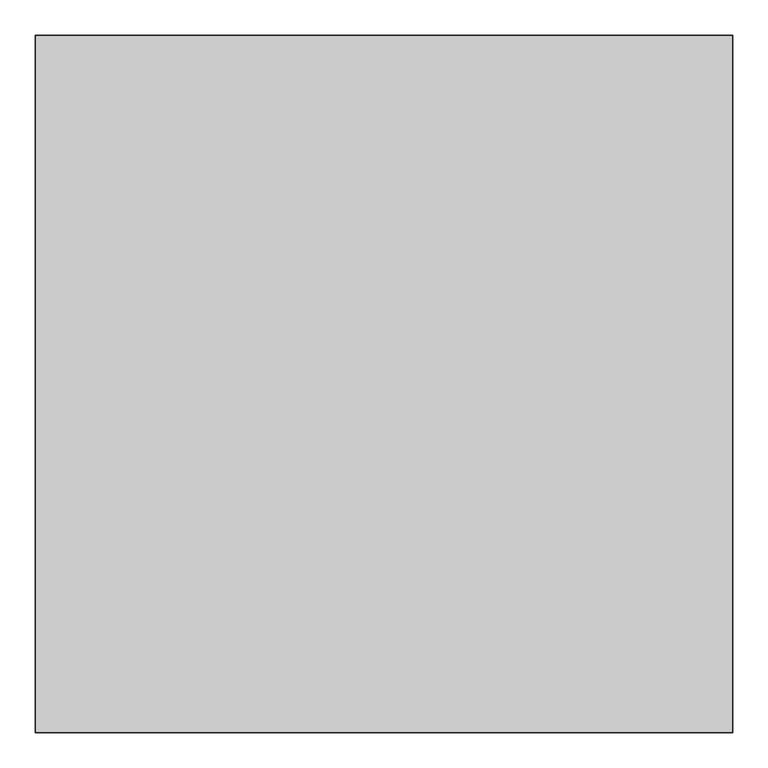
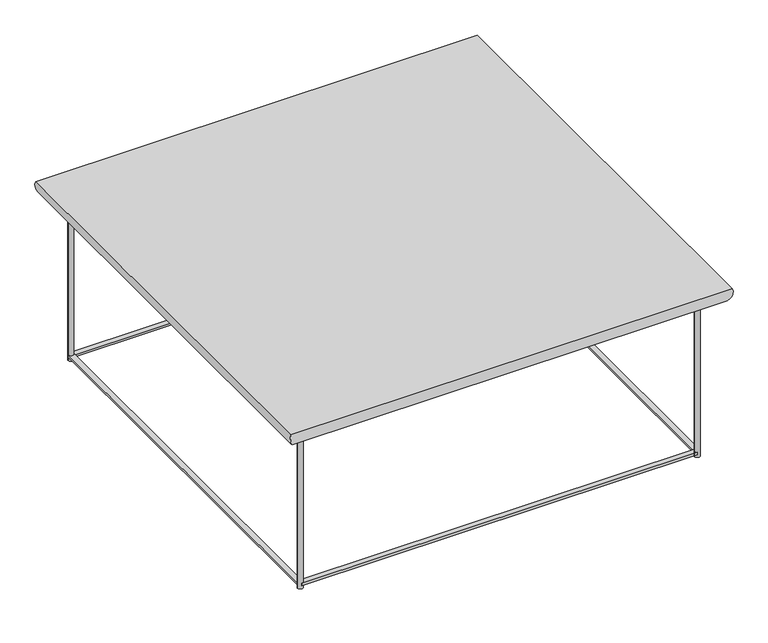
"""IFC4 building model written with IfcOpenShell, lengths in millimetres: furniture geometry."""

from ifc_helpers import new_model, si_unit, point, frame, frame_2d, origin, origin_with_axes, place, context, project, spatial, polyline, circle_curve, ellipse_curve, trimmed, segment, composite_curve, outline, extrude, source, transform, mapped, element, save
from ifc_brep_helpers import plane_surface, cylinder_surface, advanced_brep


def furniture_e0d00aa7(model_context):
    return source(origin(), model_context, "Body", "SolidModel", [
        advanced_brep(
        [(465.10956, 465.11718, 368.94008), (495.3, 495.30762, 408.94), (495.3, -495.30762, 408.94), (465.10956, -465.11718, 368.94008), (-495.3, -495.30762, 408.94), (-465.10956, -465.11718, 368.94008), (-495.3, 495.30762, 408.94), (-465.10956, 465.11718, 368.94008)],
        [
            (0, 1, ellipse_curve(frame((465.10956, 465.11718, 400.3333461), z_axis=(0.7071067811865475, -0.7071067811865475, 0.0), x_axis=(0.7071067811865474, 0.7071067811865476, 0.0)), 44.3967827, 31.3932661)),
            (1, 2),
            (2, 3, ellipse_curve(frame((465.10956, -465.11718, 400.3333461), z_axis=(0.7071067811865475, 0.7071067811865475, 0.0), x_axis=(-0.7071067811865474, 0.7071067811865476, 0.0)), 44.3967827, 31.3932661)),
            (3, 0),
            (2, 4),
            (4, 5, ellipse_curve(frame((-465.10956, -465.11718, 400.3333461), z_axis=(0.7071067811865475, -0.7071067811865475, 0.0), x_axis=(0.7071067811865476, 0.7071067811865474, 0.0)), 44.3967827, 31.3932661)),
            (5, 3),
            (4, 6),
            (6, 7, ellipse_curve(frame((-465.10956, 465.11718, 400.3333461), z_axis=(-0.7071067811865475, -0.7071067811865475, 0.0), x_axis=(0.7071067811865474, -0.7071067811865476, 0.0)), 44.3967827, 31.3932661)),
            (7, 5),
            (1, 6),
            (0, 7),
        ],
        [
            cylinder_surface(frame((465.10956, 445.32042, 400.3333461), z_axis=(0.0, 1.0, 0.0), x_axis=(1.0, 0.0, 0.0)), 31.3932661),
            cylinder_surface(frame((445.3128, -465.11718, 400.3333461), z_axis=(1.0, 0.0, 0.0), x_axis=(0.0, -1.0, 0.0)), 31.3932661),
            cylinder_surface(frame((-465.10956, -445.32042, 400.3333461), z_axis=(0.0, -1.0, 0.0), x_axis=(-1.0, 0.0, 0.0)), 31.3932661),
            plane_surface(frame((-445.3128, 445.32042, 408.94), z_axis=(0.0, 0.0, 1.0), x_axis=(1.0, 0.0, 0.0))),
            cylinder_surface(frame((-445.3128, 465.11718, 400.3333461), z_axis=(-1.0, 0.0, 0.0), x_axis=(0.0, 1.0, 0.0)), 31.3932661),
            plane_surface(frame((-465.10956, 465.11718, 368.94008), z_axis=(0.0, 0.0, -1.0), x_axis=(1.0, 0.0, 0.0))),
        ],
        [
            (0, [[1, 2, 3, 4]]),
            (1, [[-3, 5, 6, 7]]),
            (2, [[-6, 8, 9, 10]]),
            (3, [[-2, 11, -8, -5]]),
            (4, [[-1, 12, -9, -11]]),
            (5, [[-4, -7, -10, -12]]),
        ],
    ),
        advanced_brep(
        [(-439.31332, -445.32042, 12.50061), (-451.31228, -445.32042, 12.50061), (-451.31228, -445.32042, 7.49935), (-439.31332, -445.32042, 7.49935), (-439.31332, 445.32042, 368.94008), (-451.31228, 445.32042, 368.94008), (-439.31332, 445.32042, 0.0), (-451.31228, 445.32042, 0.0), (-439.31332, 445.32042, 12.50061), (-451.31228, 445.32042, 12.50061), (-451.31228, 445.32042, 7.49935), (-439.31332, 445.32042, 7.49935)],
        [
            (0, 1),
            (1, 2),
            (2, 3),
            (3, 0),
            (4, 5, circle_curve(frame((-445.3128, 445.32042, 368.94008), z_axis=(0.0, 0.0, 1.0), x_axis=(1.0, 0.0, 0.0)), 5.99948)),
            (5, 4, circle_curve(frame((-445.3128, 445.32042, 368.94008), z_axis=(0.0, 0.0, 1.0), x_axis=(1.0, 0.0, 0.0)), 5.99948)),
            (6, 7, circle_curve(frame((-445.3128, 445.32042, 0.0), z_axis=(0.0, 0.0, -1.0), x_axis=(1.0, 0.0, 0.0)), 5.99948)),
            (7, 6, circle_curve(frame((-445.3128, 445.32042, 0.0), z_axis=(0.0, 0.0, -1.0), x_axis=(1.0, 0.0, 0.0)), 5.99948)),
            (0, 8),
            (8, 9, circle_curve(frame((-445.3128, 445.32042, 12.50061), z_axis=(0.0, 0.0, -1.0), x_axis=(1.0, 0.0, 0.0)), 5.99948)),
            (9, 1),
            (9, 10),
            (10, 2),
            (10, 11, circle_curve(frame((-445.3128, 445.32042, 7.49935), z_axis=(0.0, 0.0, 1.0), x_axis=(1.0, 0.0, 0.0)), 5.99948)),
            (11, 3),
            (11, 8),
            (4, 8),
            (11, 6),
            (7, 10),
            (9, 5),
        ],
        [
            plane_surface(frame((-439.31332, -445.32042, 12.50061), z_axis=(0.0, -1.0, 0.0), x_axis=(-1.0, 0.0, 0.0))),
            plane_surface(frame((-439.31332, 445.32042, 368.94008), z_axis=(0.0, 0.0, 1.0), x_axis=(0.0, 1.0, 0.0))),
            plane_surface(frame((-439.31332, 445.32042, 0.0), z_axis=(0.0, 0.0, -1.0), x_axis=(0.0, -1.0, 0.0))),
            plane_surface(frame((-439.31332, -445.32042, 12.50061), z_axis=(0.0, 0.0, 1.0), x_axis=(0.0, 1.0, 0.0))),
            plane_surface(frame((-451.31228, -445.32042, 12.50061), z_axis=(-1.0, 0.0, 0.0), x_axis=(0.0, 1.0, 0.0))),
            plane_surface(frame((-451.31228, -445.32042, 7.49935), z_axis=(0.0, 0.0, -1.0), x_axis=(0.0, 1.0, 0.0))),
            plane_surface(frame((-439.31332, -445.32042, 7.49935), z_axis=(1.0, 0.0, 0.0), x_axis=(0.0, 1.0, 0.0))),
            cylinder_surface(frame((-445.3128, 445.32042, 0.0), z_axis=(0.0, 0.0, 1.0), x_axis=(1.0, 0.0, 0.0)), 5.99948),
        ],
        [
            (0, [[1, 2, 3, 4]]),
            (1, [[5, 6]]),
            (2, [[7, 8]]),
            (3, [[-1, 9, 10, 11]]),
            (4, [[-2, -11, 12, 13]]),
            (5, [[-3, -13, 14, 15]]),
            (6, [[-4, -15, 16, -9]]),
            (7, [[-5, 17, -16, 18, -8, 19, -12, 20]]),
            (7, [[-6, -20, -10, -17]]),
            (7, [[-7, -18, -14, -19]]),
        ],
    ),
        advanced_brep(
        [(451.31228, 445.32042, 368.94008), (439.31332, 445.32042, 368.94008), (451.31228, 445.32042, 0.0), (439.31332, 445.32042, 0.0)],
        [
            (0, 1, circle_curve(frame((445.3128, 445.32042, 368.94008), z_axis=(0.0, 0.0, 1.0), x_axis=(1.0, 0.0, 0.0)), 5.99948)),
            (1, 0, circle_curve(frame((445.3128, 445.32042, 368.94008), z_axis=(0.0, 0.0, 1.0), x_axis=(1.0, 0.0, 0.0)), 5.99948)),
            (2, 3, circle_curve(frame((445.3128, 445.32042, 0.0), z_axis=(0.0, 0.0, -1.0), x_axis=(1.0, 0.0, 0.0)), 5.99948)),
            (3, 2, circle_curve(frame((445.3128, 445.32042, 0.0), z_axis=(0.0, 0.0, -1.0), x_axis=(1.0, 0.0, 0.0)), 5.99948)),
            (0, 2),
            (3, 1),
        ],
        [
            plane_surface(frame((451.31228, 445.32042, 368.94008), z_axis=(0.0, 0.0, 1.0), x_axis=(0.0, 1.0, 0.0))),
            plane_surface(frame((451.31228, 445.32042, 0.0), z_axis=(0.0, 0.0, -1.0), x_axis=(0.0, -1.0, 0.0))),
            cylinder_surface(frame((445.3128, 445.32042, 0.0), z_axis=(0.0, 0.0, 1.0), x_axis=(1.0, 0.0, 0.0)), 5.99948),
        ],
        [
            (0, [[1, 2]]),
            (1, [[3, 4]]),
            (2, [[-1, 5, -4, 6]]),
            (2, [[-2, -6, -3, -5]]),
        ],
    ),
        advanced_brep(
        [(451.31228, -445.32042, 368.94008), (439.31332, -445.32042, 368.94008), (451.31228, -445.32042, 0.0), (439.31332, -445.32042, 0.0)],
        [
            (0, 1, circle_curve(frame((445.3128, -445.32042, 368.94008), z_axis=(0.0, 0.0, 1.0), x_axis=(1.0, 0.0, 0.0)), 5.99948)),
            (1, 0, circle_curve(frame((445.3128, -445.32042, 368.94008), z_axis=(0.0, 0.0, 1.0), x_axis=(1.0, 0.0, 0.0)), 5.99948)),
            (2, 3, circle_curve(frame((445.3128, -445.32042, 0.0), z_axis=(0.0, 0.0, -1.0), x_axis=(1.0, 0.0, 0.0)), 5.99948)),
            (3, 2, circle_curve(frame((445.3128, -445.32042, 0.0), z_axis=(0.0, 0.0, -1.0), x_axis=(1.0, 0.0, 0.0)), 5.99948)),
            (0, 2),
            (3, 1),
        ],
        [
            plane_surface(frame((451.31228, -445.32042, 368.94008), z_axis=(0.0, 0.0, 1.0), x_axis=(0.0, 1.0, 0.0))),
            plane_surface(frame((451.31228, -445.32042, 0.0), z_axis=(0.0, 0.0, -1.0), x_axis=(0.0, -1.0, 0.0))),
            cylinder_surface(frame((445.3128, -445.32042, 0.0), z_axis=(0.0, 0.0, 1.0), x_axis=(1.0, 0.0, 0.0)), 5.99948),
        ],
        [
            (0, [[1, 2]]),
            (1, [[3, 4]]),
            (2, [[-1, 5, -4, 6]]),
            (2, [[-2, -6, -3, -5]]),
        ],
    ),
        extrude(outline(polyline([(445.3128, -439.32094), (445.3128, -451.3199), (-445.3128, -451.3199), (-445.3128, -439.32094), (445.3128, -439.32094)])), frame((0.0, 0.0, 7.49935), z_axis=(0.0, 0.0, 1.0), x_axis=(1.0, 0.0, 0.0)), (0.0, 0.0, 1.0), 5.00126),
        extrude(outline(polyline([(445.3128, 451.3199), (445.3128, 439.32094), (-445.3128, 439.32094), (-445.3128, 451.3199), (445.3128, 451.3199)])), frame((0.0, 0.0, 7.49935), z_axis=(0.0, 0.0, 1.0), x_axis=(1.0, 0.0, 0.0)), (0.0, 0.0, 1.0), 5.00126),
        extrude(outline(polyline([(451.31228, -445.32042), (439.31332, -445.32042), (439.31332, 445.32042), (451.31228, 445.32042), (451.31228, -445.32042)])), frame((0.0, 0.0, 7.49935), z_axis=(0.0, 0.0, 1.0), x_axis=(1.0, 0.0, 0.0)), (0.0, 0.0, 1.0), 5.00126),
        extrude(outline(composite_curve([segment(trimmed(circle_curve(frame_2d((-445.3128, -445.32042)), 5.99948), [point((-439.31332, -445.32042))], [point((-451.31228, -445.32042))], False, "CARTESIAN"), True, "CONTINUOUS"), segment(trimmed(circle_curve(frame_2d((-445.3128, -445.32042)), 5.99948), [point((-451.31228, -445.32042))], [point((-439.31332, -445.32042))], False, "CARTESIAN"), True, "CONTINUOUS")], self_intersect=False)), origin_with_axes(), (0.0, 0.0, 1.0), 368.94008),
    ])


if __name__ == "__main__":
    model = new_model("IFC4")
    model_context = context("Model", 3, world=origin())
    ifc_project = project(units=[si_unit("LENGTHUNIT", "METRE", prefix="MILLI")], contexts=[model_context])
    site = spatial("IfcSite", under=ifc_project)
    building = spatial("IfcBuilding", under=site)
    placement = place(None, origin())
    furniture_shape = furniture_e0d00aa7(model_context)
    element("IfcFurniture", 1, at=placement, inside=building, context=model_context, shape_type="MappedRepresentation", body=[
        mapped(furniture_shape, transform((0.0, 0.0, 0.0), x_axis=(1.0, 0.0, 0.0), y_axis=(0.0, 1.0, 0.0), z_axis=(0.0, 0.0, 1.0))),
    ])
    save(model, "model.ifc")
